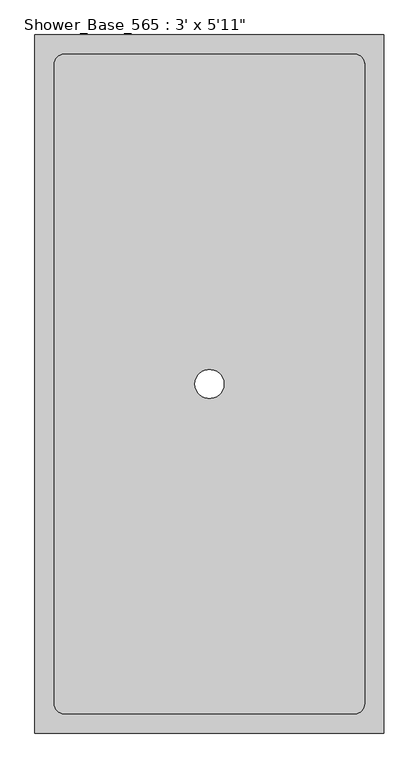
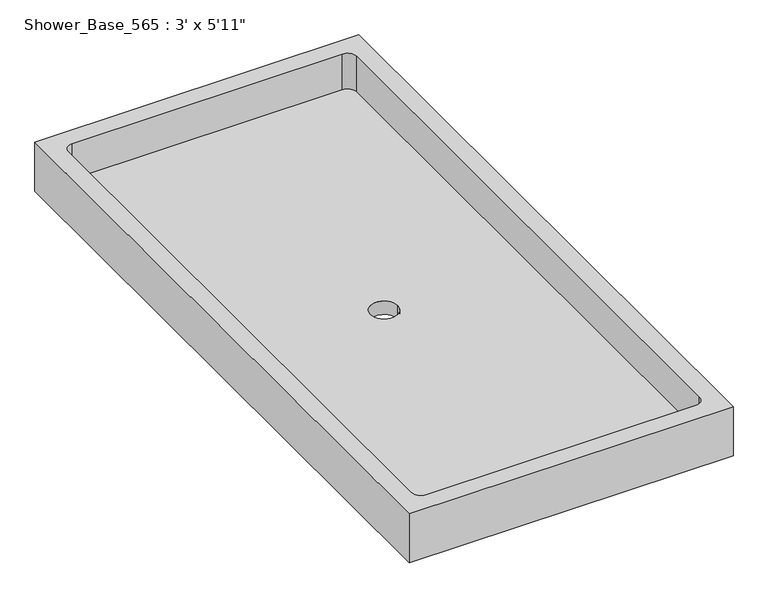
"""IFC4 building model written with IfcOpenShell, lengths in millimetres: flow terminal geometry."""

from ifc_helpers import new_model, si_unit, frame, origin, origin_with_axes, place, context, project, spatial, polyline, circle_curve, source, transform, mapped, element, save
from ifc_brep_helpers import plane_surface, revolved_surface, advanced_brep


def flow_terminal_833b3f55(model_context):
    return source(origin(), model_context, "Body", "AdvancedBrep", [
        advanced_brep(
        [(457.2, 914.4, 146.05), (-457.2, 914.4, 146.05), (-457.2, -914.4, 146.05), (457.2, -914.4, 146.05), (406.4, -838.2, 146.05), (381.0, -863.6, 146.05), (-381.0, -863.6, 146.05), (-406.4, -838.2, 146.05), (-406.4, 838.2, 146.05), (-381.0, 863.6, 146.05), (381.0, 863.6, 146.05), (406.4, 838.2, 146.05), (457.2, 914.4, 0.0), (457.2, -914.4, 0.0), (-457.2, -914.4, 0.0), (-457.2, 914.4, 0.0), (-38.1, 0.0, 0.0), (38.1, 0.0, 0.0), (381.0, -863.6, 39.8652193), (406.4, -838.2, 39.8652193), (406.4, 838.2, 39.8652193), (381.0, 863.6, 39.8652193), (-381.0, 863.6, 39.8652193), (-406.4, 838.2, 39.8652193), (-406.4, -838.2, 39.8652193), (-381.0, -863.6, 39.8652193), (38.1, 0.0, 39.8652193), (-38.1, 0.0, 39.8652193)],
        [
            (0, 1),
            (1, 2),
            (2, 3),
            (3, 0),
            (4, 5, circle_curve(frame((381.0, -838.2, 146.05), z_axis=(0.0, 0.0, -1.0), x_axis=(1.0, 0.0, 0.0)), 25.4)),
            (5, 6),
            (6, 7, circle_curve(frame((-381.0, -838.2, 146.05), z_axis=(0.0, 0.0, -1.0), x_axis=(1.0, 0.0, 0.0)), 25.4)),
            (7, 8),
            (8, 9, circle_curve(frame((-381.0, 838.2, 146.05), z_axis=(0.0, 0.0, -1.0), x_axis=(1.0, 0.0, 0.0)), 25.4)),
            (9, 10),
            (10, 11, circle_curve(frame((381.0, 838.2, 146.05), z_axis=(0.0, 0.0, -1.0), x_axis=(1.0, 0.0, 0.0)), 25.4)),
            (11, 4),
            (12, 13),
            (13, 14),
            (14, 15),
            (15, 12),
            (16, 17, circle_curve(origin_with_axes(), 38.1)),
            (17, 16, circle_curve(origin_with_axes(), 38.1)),
            (0, 12),
            (15, 1),
            (14, 2),
            (13, 3),
            (18, 19, circle_curve(frame((381.0, -838.2, 39.8652193), z_axis=(0.0, 0.0, 1.0), x_axis=(1.0, 0.0, 0.0)), 25.4)),
            (19, 20),
            (20, 21, circle_curve(frame((381.0, 838.2, 39.8652193), z_axis=(0.0, 0.0, 1.0), x_axis=(1.0, 0.0, 0.0)), 25.4)),
            (21, 22),
            (22, 23, circle_curve(frame((-381.0, 838.2, 39.8652193), z_axis=(0.0, 0.0, 1.0), x_axis=(1.0, 0.0, 0.0)), 25.4)),
            (23, 24),
            (24, 25, circle_curve(frame((-381.0, -838.2, 39.8652193), z_axis=(0.0, 0.0, 1.0), x_axis=(1.0, 0.0, 0.0)), 25.4)),
            (25, 18),
            (26, 27, circle_curve(frame((0.0, 0.0, 39.8652193), z_axis=(0.0, 0.0, -1.0), x_axis=(1.0, 0.0, 0.0)), 38.1)),
            (27, 26, circle_curve(frame((0.0, 0.0, 39.8652193), z_axis=(0.0, 0.0, -1.0), x_axis=(1.0, 0.0, 0.0)), 38.1)),
            (18, 5),
            (4, 19),
            (11, 20),
            (10, 21),
            (9, 22),
            (8, 23),
            (7, 24),
            (6, 25),
            (16, 27),
            (26, 17),
        ],
        [
            plane_surface(frame((-457.2, 914.4, 146.05), z_axis=(0.0, 0.0, 1.0), x_axis=(-1.0, 0.0, 0.0))),
            plane_surface(frame((-457.2, 914.4, 0.0), z_axis=(0.0, 0.0, -1.0), x_axis=(1.0, 0.0, 0.0))),
            plane_surface(frame((457.2, 914.4, 146.05), z_axis=(0.0, 1.0, 0.0), x_axis=(0.0, 0.0, -1.0))),
            plane_surface(frame((-457.2, 914.4, 146.05), z_axis=(-1.0, 0.0, 0.0), x_axis=(0.0, 0.0, -1.0))),
            plane_surface(frame((-457.2, -914.4, 146.05), z_axis=(0.0, -1.0, 0.0), x_axis=(0.0, 0.0, -1.0))),
            plane_surface(frame((457.2, -914.4, 146.05), z_axis=(1.0, 0.0, 0.0), x_axis=(0.0, 0.0, -1.0))),
            plane_surface(frame((406.4, -838.2, 39.8652193), z_axis=(0.0, 0.0, 1.0), x_axis=(0.0, -1.0, 0.0))),
            revolved_surface(polyline([(406.4, -838.2, 146.05), (406.4, -838.2, 39.8652193)]), (381.0, -838.2, 39.8652193), (0.0, 0.0, 1.0)),
            plane_surface(frame((406.4, -838.2, 146.05), z_axis=(-1.0, 0.0, 0.0), x_axis=(0.0, 0.0, -1.0))),
            revolved_surface(polyline([(406.4, 838.2, 146.05), (406.4, 838.2, 39.8652193)]), (381.0, 838.2, 39.8652193), (0.0, 0.0, 1.0)),
            plane_surface(frame((381.0, 863.6, 146.05), z_axis=(0.0, -1.0, 0.0), x_axis=(0.0, 0.0, -1.0))),
            revolved_surface(polyline([(-355.6, 838.2, 146.05), (-355.6, 838.2, 39.8652193)]), (-381.0, 838.2, 39.8652193), (0.0, 0.0, 1.0)),
            plane_surface(frame((-406.4, 838.2, 146.05), z_axis=(1.0, 0.0, 0.0), x_axis=(0.0, 0.0, -1.0))),
            revolved_surface(polyline([(-355.6, -838.2, 146.05), (-355.6, -838.2, 39.8652193)]), (-381.0, -838.2, 39.8652193), (0.0, 0.0, 1.0)),
            plane_surface(frame((-381.0, -863.6, 146.05), z_axis=(0.0, 1.0, 0.0), x_axis=(0.0, 0.0, -1.0))),
            revolved_surface(polyline([(38.1, 0.0, 39.8652193), (38.1, 0.0, 0.0)]), (0.0, 0.0, 0.0), (0.0, 0.0, 1.0)),
        ],
        [
            (0, [[1, 2, 3, 4], [5, 6, 7, 8, 9, 10, 11, 12]]),
            (1, [[13, 14, 15, 16], [17, 18]]),
            (2, [[-1, 19, -16, 20]]),
            (3, [[-2, -20, -15, 21]]),
            (4, [[-3, -21, -14, 22]]),
            (5, [[-4, -22, -13, -19]]),
            (6, [[23, 24, 25, 26, 27, 28, 29, 30], [31, 32]]),
            (7, [[-23, 33, -5, 34]]),
            (8, [[-24, -34, -12, 35]]),
            (9, [[-25, -35, -11, 36]]),
            (10, [[-26, -36, -10, 37]]),
            (11, [[-27, -37, -9, 38]]),
            (12, [[-28, -38, -8, 39]]),
            (13, [[-29, -39, -7, 40]]),
            (14, [[-30, -40, -6, -33]]),
            (15, [[41, -31, 42, -17]]),
            (15, [[-41, -18, -42, -32]]),
        ],
    ),
    ])


if __name__ == "__main__":
    model = new_model("IFC4")
    model_context = context("Model", 3, world=origin())
    ifc_project = project(units=[si_unit("LENGTHUNIT", "METRE", prefix="MILLI")], contexts=[model_context])
    site = spatial("IfcSite", under=ifc_project)
    building = spatial("IfcBuilding", under=site)
    placement = place(None, origin())
    flow_terminal_shape = flow_terminal_833b3f55(model_context)
    element("IfcFlowTerminal", 1, ObjectType="Shower_Base_565 : 3' x 5'11\"", at=placement, inside=building, context=model_context, shape_type="MappedRepresentation", body=[
        mapped(flow_terminal_shape, transform((0.0, 0.0, 0.0), x_axis=(1.0, 0.0, 0.0), y_axis=(0.0, 1.0, 0.0), z_axis=(0.0, 0.0, 1.0))),
    ])
    save(model, "model.ifc")
